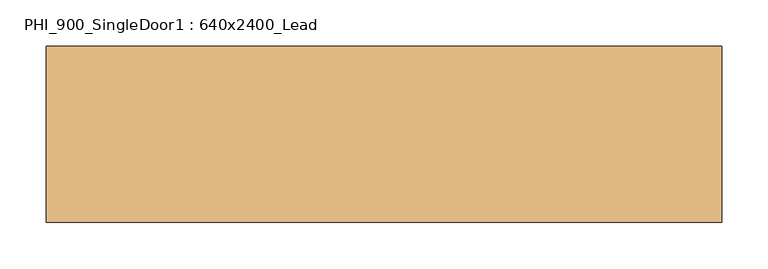
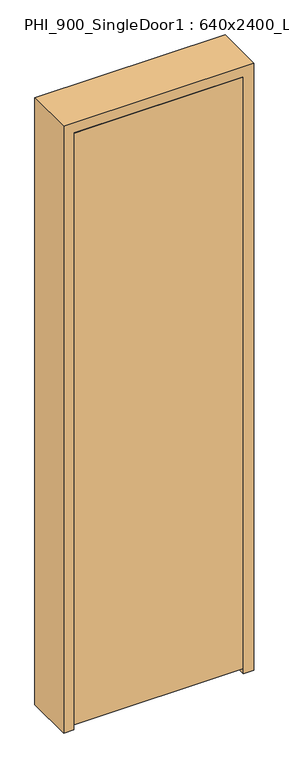
"""IFC4 building model written with IfcOpenShell, lengths in millimetres: door geometry, PHI_900_SingleDoor1 : 640x2400_Lead."""

from ifc_helpers import new_model, si_unit, frame, origin, place, context, project, spatial, polyline, outline, extrude, source, transform, mapped, element, save


def phi_900_singledoor1_640x2400_lead_790be791(model_context):
    return source(origin(), model_context, "Body", "SweptSolid", [
        extrude(outline(polyline([(323.0, -95.0), (-323.0, -95.0), (-323.0, -45.0), (323.0, -45.0), (323.0, -95.0)])), frame((0.0, 0.0, 20.0), z_axis=(0.0, 0.0, 1.0), x_axis=(1.0, 0.0, 0.0)), (0.0, 0.0, 1.0), 2398.0),
        extrude(outline(polyline([(2460.0, -365.0), (0.0, -365.0), (0.0, -325.0), (2420.0, -325.0), (2420.0, 325.0), (0.0, 325.0), (0.0, 365.0), (2460.0, 365.0), (2460.0, -365.0)])), frame((0.0, -95.0, 0.0), z_axis=(0.0, 1.0, 0.0), x_axis=(0.0, 0.0, 1.0)), (0.0, 0.0, 1.0), 190.0),
        extrude(outline(polyline([(2420.0, -325.0), (0.0, -325.0), (0.0, -305.0), (2400.0, -305.0), (2400.0, 305.0), (0.0, 305.0), (0.0, 325.0), (2420.0, 325.0), (2420.0, -325.0)])), frame((0.0, -45.0, 0.0), z_axis=(0.0, 1.0, 0.0), x_axis=(0.0, 0.0, 1.0)), (0.0, 0.0, 1.0), 45.0),
    ])


if __name__ == "__main__":
    model = new_model("IFC4")
    model_context = context("Model", 3, world=origin())
    ifc_project = project(units=[si_unit("LENGTHUNIT", "METRE", prefix="MILLI")], contexts=[model_context])
    site = spatial("IfcSite", under=ifc_project)
    building = spatial("IfcBuilding", under=site)
    placement = place(None, origin())
    phi_900_singledoor1_640x2400_lead_shape = phi_900_singledoor1_640x2400_lead_790be791(model_context)
    element("IfcDoor", 1, ObjectType="PHI_900_SingleDoor1 : 640x2400_Lead", at=placement, inside=building, context=model_context, shape_type="MappedRepresentation", body=[
        mapped(phi_900_singledoor1_640x2400_lead_shape, transform((0.0, 0.0, 0.0), x_axis=(1.0, 0.0, 0.0), y_axis=(0.0, 1.0, 0.0), z_axis=(0.0, 0.0, 1.0))),
    ])
    save(model, "model.ifc")
